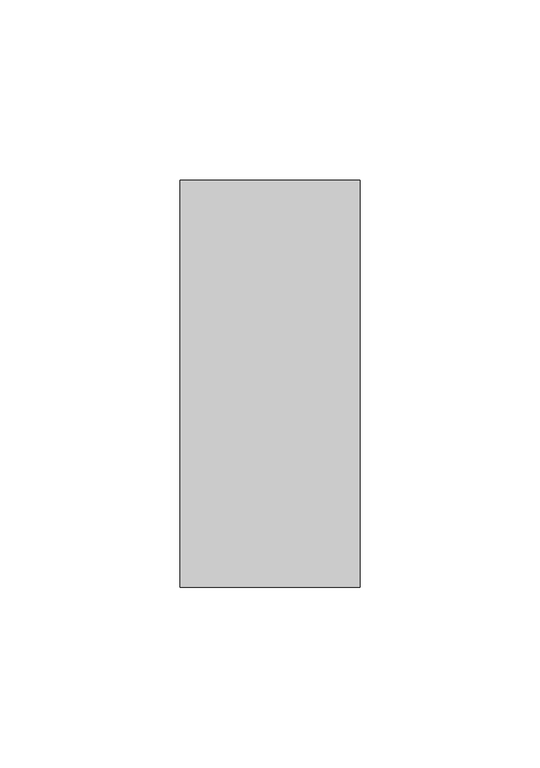
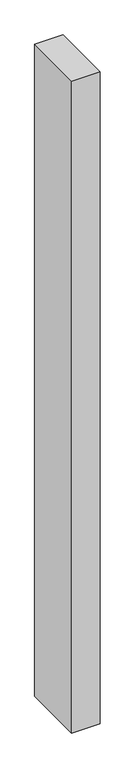
"""IFC4 building model written with IfcOpenShell, lengths in millimetres: member geometry."""

from ifc_helpers import new_model, si_unit, frame, origin, place, context, project, spatial, polyline, outline, extrude, source, transform, mapped, element, save


def member_0b18d834(model_context):
    return source(origin(), model_context, "Body", "SweptSolid", [
        extrude(outline(polyline([(0.0, -22.0), (-50.0, -22.0), (-50.0, 91.0), (0.0, 91.0), (0.0, -22.0)])), frame((0.0, 0.0, -1212.5), z_axis=(0.0, 0.0, 1.0), x_axis=(1.0, 0.0, 0.0)), (0.0, 0.0, 1.0), 1212.5),
    ])


if __name__ == "__main__":
    model = new_model("IFC4")
    model_context = context("Model", 3, world=origin())
    ifc_project = project(units=[si_unit("LENGTHUNIT", "METRE", prefix="MILLI")], contexts=[model_context])
    site = spatial("IfcSite", under=ifc_project)
    building = spatial("IfcBuilding", under=site)
    placement = place(None, origin())
    member_shape = member_0b18d834(model_context)
    element("IfcMember", 1, at=placement, inside=building, context=model_context, shape_type="MappedRepresentation", body=[
        mapped(member_shape, transform((0.0, 0.0, 0.0), x_axis=(1.0, 0.0, 0.0), y_axis=(0.0, 1.0, 0.0), z_axis=(0.0, 0.0, 1.0))),
    ])
    save(model, "model.ifc")
